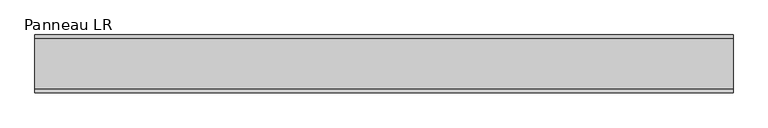
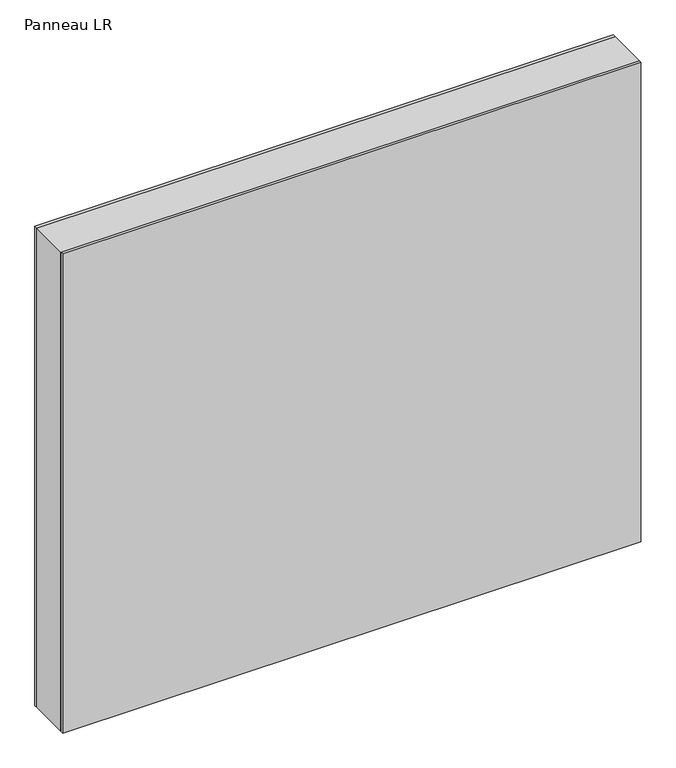
"""IFC4 building model written with IfcOpenShell, lengths in millimetres: plate geometry, Panneau LR."""

from ifc_helpers import new_model, si_unit, frame, origin, origin_with_axes, place, context, project, spatial, polyline, outline, extrude, source, transform, mapped, element, save


def panneau_lr_7d0fe4cb(model_context):
    return source(origin(), model_context, "Body", "SweptSolid", [
        extrude(outline(polyline([(953.5, 544.1875001), (953.5, -544.1875001), (0.0, -544.1875001), (0.0, 544.1875001), (953.5, 544.1875001)]), holes=[polyline([(30.0, -504.1875001), (893.5, -504.1875001), (893.5, 504.1875001), (30.0, 504.1875001), (30.0, -504.1875001)])]), frame((0.0, -39.0, 0.0), z_axis=(0.0, 1.0, 0.0), x_axis=(0.0, 0.0, 1.0)), (0.0, 0.0, 1.0), 78.0),
        extrude(outline(polyline([(544.1875001, 39.0), (-544.1875001, 39.0), (-544.1875001, 45.0), (544.1875001, 45.0), (544.1875001, 39.0)])), origin_with_axes(), (0.0, 0.0, 1.0), 953.5),
        extrude(outline(polyline([(-544.1875001, -45.0), (-544.1875001, -39.0), (544.1875001, -39.0), (544.1875001, -45.0), (-544.1875001, -45.0)])), origin_with_axes(), (0.0, 0.0, 1.0), 953.5),
    ])


if __name__ == "__main__":
    model = new_model("IFC4")
    model_context = context("Model", 3, world=origin())
    ifc_project = project(units=[si_unit("LENGTHUNIT", "METRE", prefix="MILLI")], contexts=[model_context])
    site = spatial("IfcSite", under=ifc_project)
    building = spatial("IfcBuilding", under=site)
    placement = place(None, origin())
    panneau_lr_shape = panneau_lr_7d0fe4cb(model_context)
    element("IfcPlate", 1, ObjectType="Panneau LR", at=placement, inside=building, context=model_context, shape_type="MappedRepresentation", body=[
        mapped(panneau_lr_shape, transform((0.0, 0.0, 0.0), x_axis=(1.0, 0.0, 0.0), y_axis=(0.0, 1.0, 0.0), z_axis=(0.0, 0.0, 1.0))),
    ])
    save(model, "model.ifc")
